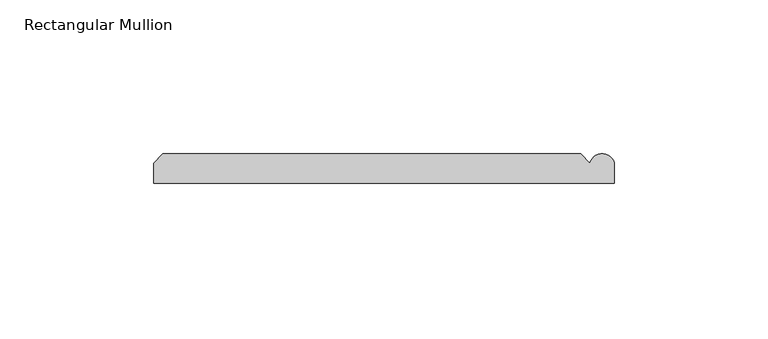
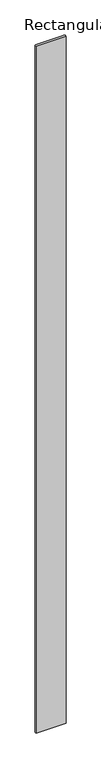
"""IFC4 building model written with IfcOpenShell, lengths in millimetres: member geometry, Rectangular Mullion."""

from ifc_helpers import new_model, si_unit, point, frame, frame_2d, origin, place, context, project, spatial, polyline, circle_curve, trimmed, segment, composite_curve, outline, extrude, source, transform, mapped, element, save


def rectangular_mullion_775860e2(model_context):
    return source(origin(), model_context, "Body", "SweptSolid", [
        extrude(outline(composite_curve([segment(polyline([(63.9809918, 9.5), (66.9809918, 6.5)]), True, "CONTINUOUS"), segment(trimmed(circle_curve(frame_2d((70.9809918, 5.5)), 4.1231056), [point((66.9809918, 6.5))], [point((74.9809918, 6.5))], False, "CARTESIAN"), True, "CONTINUOUS"), segment(polyline([(74.9809918, 6.5), (74.9809918, 0.0), (-75.0190082, 0.0), (-75.0190082, 6.50681), (-72.0258182, 9.5), (63.9809918, 9.5)]), True, "CONTINUOUS")], self_intersect=False)), frame((0.0, 0.0, -3600.0), z_axis=(0.0, 0.0, 1.0), x_axis=(1.0, 0.0, 0.0)), (0.0, 0.0, 1.0), 3600.0),
    ])


if __name__ == "__main__":
    model = new_model("IFC4")
    model_context = context("Model", 3, world=origin())
    ifc_project = project(units=[si_unit("LENGTHUNIT", "METRE", prefix="MILLI")], contexts=[model_context])
    site = spatial("IfcSite", under=ifc_project)
    building = spatial("IfcBuilding", under=site)
    placement = place(None, origin())
    rectangular_mullion_shape = rectangular_mullion_775860e2(model_context)
    element("IfcMember", 1, ObjectType="Rectangular Mullion", at=placement, inside=building, context=model_context, shape_type="MappedRepresentation", body=[
        mapped(rectangular_mullion_shape, transform((0.0, 0.0, 0.0), x_axis=(1.0, 0.0, 0.0), y_axis=(0.0, 1.0, 0.0), z_axis=(0.0, 0.0, 1.0))),
    ])
    save(model, "model.ifc")
